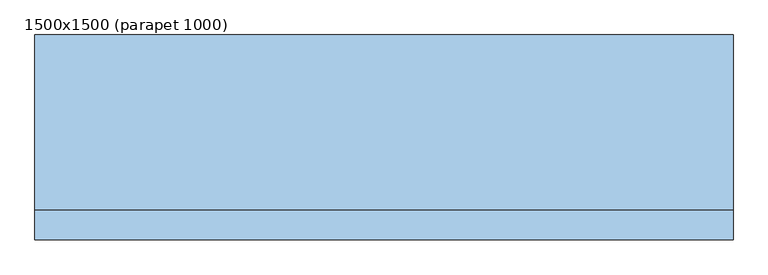
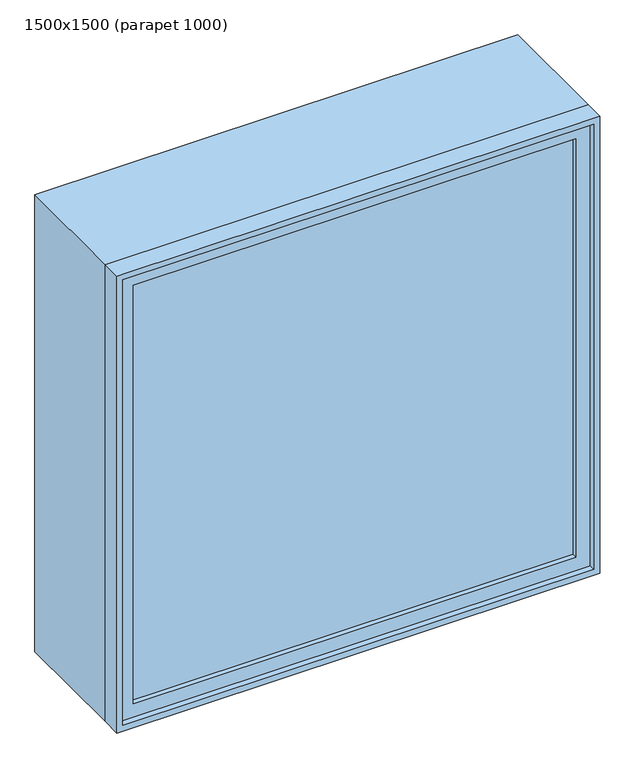
"""IFC4 building model written with IfcOpenShell, lengths in millimetres: window geometry, 1500x1500 (parapet 1000)."""

import ifcopenshell
import ifcopenshell.guid

model = None  # the IFC model being written
_history = None  # IfcOwnerHistory: only IFC2X3 demands one
_inside = {}  # id of a spatial element -> (the spatial element, [elements in it])
_under = {}  # id of a project, library or spatial element -> (it, [spatial elements below it])
_declared = {}  # id of a project -> (the project, [libraries it declares])
_typed = {}  # id of a type object -> (the type object, [elements of that type])
_made_of = {}  # id of a material, layer set ... -> (it, [elements and type objects made of it])


def new_model(schema):
    """Start an empty IFC model of exactly this schema.

    Asked for "IFC4X3", IfcOpenShell would pick the latest addendum, in which some entities
    have other attributes; the version numbers below select the first issue.
    IFC2X3 requires an IfcOwnerHistory on every rooted entity: one is made here for all.
    """
    global model, _history
    if schema == "IFC4X3":
        model = ifcopenshell.file(schema_version=(4, 3, 0, 0))
    else:
        model = ifcopenshell.file(schema=schema)
    _inside.clear()
    _under.clear()
    _declared.clear()
    _typed.clear()
    _made_of.clear()
    _history = None
    if model.schema == "IFC2X3":
        org = make("IfcOrganization", Name="unknown")
        user = make(
            "IfcPersonAndOrganization",
            ThePerson=make("IfcPerson", FamilyName="unknown"),
            TheOrganization=org,
        )
        app = make(
            "IfcApplication",
            ApplicationDeveloper=org,
            Version="unknown",
            ApplicationFullName="unknown",
            ApplicationIdentifier="unknown",
        )
        _history = make(
            "IfcOwnerHistory",
            OwningUser=user,
            OwningApplication=app,
            ChangeAction="ADDED",
            CreationDate=0,
        )
    return model


def make(cls, **values):
    """One entity of the class cls with the attributes given. An attribute that is None is left unset."""
    return model.create_entity(
        cls, **{name: value for name, value in values.items() if value is not None}
    )


def rooted(cls, **values):
    """An entity with a GlobalId (a new one), such as an element, a storey or a relation."""
    return make(cls, GlobalId=ifcopenshell.guid.new(), OwnerHistory=_history, **values)


def si_unit(unit_type, name, prefix=None):
    """IfcSIUnit, for example si_unit("LENGTHUNIT", "METRE", prefix="MILLI")."""
    return make("IfcSIUnit", UnitType=unit_type, Prefix=prefix, Name=name)


def assignment(units):
    """IfcUnitAssignment: the units of a project."""
    return None if units is None else make("IfcUnitAssignment", Units=units)


def point(xyz):
    """IfcCartesianPoint."""
    return None if xyz is None else make("IfcCartesianPoint", Coordinates=xyz)


def direction(xyz):
    """IfcDirection."""
    return None if xyz is None else make("IfcDirection", DirectionRatios=xyz)


def frame(location, z_axis=None, x_axis=None):
    """IfcAxis2Placement3D, a coordinate frame: its origin and axes. An axis left out is left unset."""
    return make(
        "IfcAxis2Placement3D",
        Location=point(location),
        Axis=direction(z_axis),
        RefDirection=direction(x_axis),
    )


def origin():
    """The frame at (0, 0, 0) with its axes left unset."""
    return frame((0.0, 0.0, 0.0))


def place(relative_to, where):
    """IfcLocalPlacement: puts the frame where relative to a parent placement (None: the world)."""
    return make(
        "IfcLocalPlacement", PlacementRelTo=relative_to, RelativePlacement=where
    )


def context(
    kind, dimensions, precision=None, world=None, true_north=None, identifier=None
):
    """IfcGeometricRepresentationContext, for example the 3D "Model" context."""
    return make(
        "IfcGeometricRepresentationContext",
        ContextIdentifier=identifier,
        ContextType=kind,
        CoordinateSpaceDimension=dimensions,
        Precision=precision,
        WorldCoordinateSystem=world,
        TrueNorth=true_north,
    )


def project(units=None, contexts=None):
    """IfcProject with its units and contexts."""
    return rooted(
        "IfcProject",
        Name="project",
        RepresentationContexts=contexts,
        UnitsInContext=assignment(units),
    )


def spatial(cls, under=None, at=None, **own):
    """A site, building, storey or space (cls), placed at a placement, below another one or the project."""
    s = rooted(cls, ObjectPlacement=at, **own)
    if under is not None:
        _under.setdefault(under.id(), (under, []))[1].append(s)
    return s


def polyline(points):
    """IfcPolyline through the points."""
    return make("IfcPolyline", Points=[point(p) for p in points])


def outline(outer, holes=None, kind="AREA"):
    """IfcArbitraryClosedProfileDef: a profile drawn as a closed curve; with holes, ...WithVoids."""
    if holes is None:
        return make("IfcArbitraryClosedProfileDef", ProfileType=kind, OuterCurve=outer)
    return make(
        "IfcArbitraryProfileDefWithVoids",
        ProfileType=kind,
        OuterCurve=outer,
        InnerCurves=holes,
    )


def extrude(swept, where, along, depth):
    """IfcExtrudedAreaSolid: the profile swept, set in the frame where, extruded along a direction by depth."""
    return make(
        "IfcExtrudedAreaSolid",
        SweptArea=swept,
        Position=where,
        ExtrudedDirection=direction(along),
        Depth=depth,
    )


def shape(context_of_items, identifier, shape_type, items):
    """IfcShapeRepresentation: the items that make up one representation, for example the "Body"."""
    return make(
        "IfcShapeRepresentation",
        ContextOfItems=context_of_items,
        RepresentationIdentifier=identifier,
        RepresentationType=shape_type,
        Items=items,
    )


def source(mapping_origin, context_of_items, identifier, shape_type, items):
    """IfcRepresentationMap: a shape defined once, which mapped items show again and again."""
    return make(
        "IfcRepresentationMap",
        MappingOrigin=mapping_origin,
        MappedRepresentation=shape(context_of_items, identifier, shape_type, items),
    )


def transform(
    local_origin,
    x_axis=None,
    y_axis=None,
    z_axis=None,
    scale=None,
    scale2=None,
    scale3=None,
    uniform=True,
):
    """IfcCartesianTransformationOperator3D, or its non-uniform kind. x_axis, y_axis, z_axis: its Axis1, 2, 3."""
    if uniform:
        return make(
            "IfcCartesianTransformationOperator3D",
            Axis1=direction(x_axis),
            Axis2=direction(y_axis),
            LocalOrigin=point(local_origin),
            Scale=scale,
            Axis3=direction(z_axis),
        )
    return make(
        "IfcCartesianTransformationOperator3DnonUniform",
        Axis1=direction(x_axis),
        Axis2=direction(y_axis),
        LocalOrigin=point(local_origin),
        Scale=scale,
        Axis3=direction(z_axis),
        Scale2=scale2,
        Scale3=scale3,
    )


def mapped(mapping_source, mapping_target):
    """IfcMappedItem: shows the shape of a source again, moved by a transform."""
    return make(
        "IfcMappedItem", MappingSource=mapping_source, MappingTarget=mapping_target
    )


def made_of(thing, what):
    """Note that an element or type object is made of a material, layer set ...; save() writes the relation."""
    if what is not None:
        _made_of.setdefault(what.id(), (what, []))[1].append(thing)
    return thing


def element(
    cls,
    number,
    at=None,
    inside=None,
    cuts=None,
    type_object=None,
    material=None,
    context=None,
    identifier="Body",
    shape_type=None,
    held_by="IfcProductDefinitionShape",
    body=None,
    shapes=None,
    **own,
):
    """One element of the class cls, such as IfcWall. Its Tag is "e" and its number.

    at: its placement. inside: the storey or other place that contains it. cuts: it is an
    opening in that element (IfcRelVoidsElement). A single representation is given by context,
    identifier, shape_type and body (its items); several are given by shapes. held_by: the class
    of the entity that holds the representations. save() writes the other relations.
    """
    e = rooted(cls, Tag="e%d" % number, ObjectPlacement=at, **own)
    if body is not None:
        shapes = [shape(context, identifier, shape_type, body)]
    if shapes is not None:
        e.Representation = make(held_by, Representations=shapes)
    if inside is not None:
        _inside.setdefault(inside.id(), (inside, []))[1].append(e)
    if cuts is not None:
        rooted(
            "IfcRelVoidsElement", RelatingBuildingElement=cuts, RelatedOpeningElement=e
        )
    if type_object is not None:
        _typed.setdefault(type_object.id(), (type_object, []))[1].append(e)
    return made_of(e, material)


def aggregate(whole, parts):
    """IfcRelAggregates: a whole, such as a stair, and the parts it consists of."""
    return rooted("IfcRelAggregates", RelatingObject=whole, RelatedObjects=parts)


def save(model, path):
    """Write the relations noted so far, then the file.

    IfcRelAggregates (storeys below a building ...), IfcRelContainedInSpatialStructure (elements
    in a storey), IfcRelDefinesByType, IfcRelAssociatesMaterial and IfcRelDeclares: one each for
    every whole, place, type object, material and project.
    """
    for whole, parts in _under.values():
        aggregate(whole, parts)
    for where, things in _inside.values():
        rooted(
            "IfcRelContainedInSpatialStructure",
            RelatedElements=things,
            RelatingStructure=where,
        )
    for kind, things in _typed.values():
        rooted("IfcRelDefinesByType", RelatedObjects=things, RelatingType=kind)
    for what, things in _made_of.values():
        rooted("IfcRelAssociatesMaterial", RelatedObjects=things, RelatingMaterial=what)
    for by, libraries in _declared.values():
        rooted("IfcRelDeclares", RelatingContext=by, RelatedDefinitions=libraries)
    model.write(path)


def window_1500x1500_parapet_1000_1f0dc5ae(model_context):
    return source(origin(), model_context, "Body", "SweptSolid", [
        extrude(outline(polyline([(-687.0, -198.0), (-687.0, -186.0), (687.0, -186.0), (687.0, -198.0), (-687.0, -198.0)])), frame((0.0, 0.0, 1063.0), z_axis=(0.0, 0.0, 1.0), x_axis=(1.0, 0.0, 0.0)), (0.0, 0.0, 1.0), 1374.0),
        extrude(outline(polyline([(2481.0, -731.0), (1019.0, -731.0), (1019.0, 731.0), (2481.0, 731.0), (2481.0, -731.0)]), holes=[polyline([(2437.0, -687.0), (2437.0, 687.0), (1063.0, 687.0), (1063.0, -687.0), (2437.0, -687.0)])]), frame((0.0, -214.0, 0.0), z_axis=(0.0, 1.0, 0.0), x_axis=(0.0, 0.0, 1.0)), (0.0, 0.0, 1.0), 44.0),
        extrude(outline(polyline([(2500.0, -750.0), (1000.0, -750.0), (1000.0, 750.0), (2500.0, 750.0), (2500.0, -750.0)]), holes=[polyline([(2481.0, -731.0), (2481.0, 731.0), (1019.0, 731.0), (1019.0, -731.0), (2481.0, -731.0)])]), frame((0.0, -233.0, 0.0), z_axis=(0.0, 1.0, 0.0), x_axis=(0.0, 0.0, 1.0)), (0.0, 0.0, 1.0), 63.0),
        extrude(outline(polyline([(2500.0, -750.0), (1000.0, -750.0), (1000.0, 750.0), (2500.0, 750.0), (2500.0, -750.0)]), holes=[polyline([(2468.0, -718.0), (2468.0, 718.0), (1032.0, 718.0), (1032.0, -718.0), (2468.0, -718.0)])]), frame((0.0, -170.0, 0.0), z_axis=(0.0, 1.0, 0.0), x_axis=(0.0, 0.0, 1.0)), (0.0, 0.0, 1.0), 377.0),
    ])


if __name__ == "__main__":
    model = new_model("IFC4")
    model_context = context("Model", 3, world=origin())
    ifc_project = project(units=[si_unit("LENGTHUNIT", "METRE", prefix="MILLI")], contexts=[model_context])
    site = spatial("IfcSite", under=ifc_project)
    building = spatial("IfcBuilding", under=site)
    placement = place(None, origin())
    window_1500x1500_parapet_1000_shape = window_1500x1500_parapet_1000_1f0dc5ae(model_context)
    element("IfcWindow", 1, ObjectType="1500x1500 (parapet 1000)", at=placement, inside=building, context=model_context, shape_type="MappedRepresentation", body=[
        mapped(window_1500x1500_parapet_1000_shape, transform((0.0, 0.0, 0.0), x_axis=(1.0, 0.0, 0.0), y_axis=(0.0, 1.0, 0.0), z_axis=(0.0, 0.0, 1.0))),
    ])
    save(model, "model.ifc")
